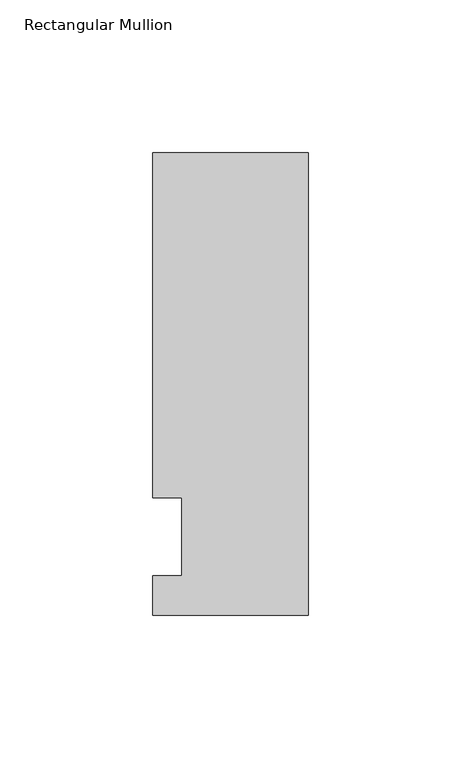
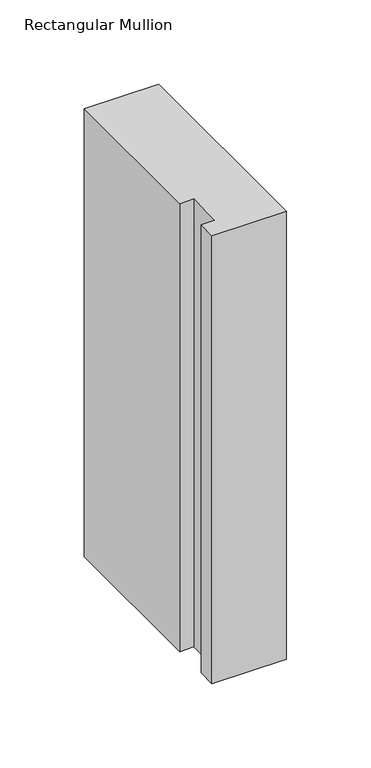
"""IFC4 building model written with IfcOpenShell, lengths in millimetres: member geometry, Rectangular Mullion."""

from ifc_helpers import new_model, si_unit, frame, origin, place, context, project, spatial, polyline, outline, extrude, source, transform, mapped, element, save


def rectangular_mullion_59a8531e(model_context):
    return source(origin(), model_context, "Body", "SweptSolid", [
        extrude(outline(polyline([(-50.8, -25.5984375), (-50.8, -12.7), (-41.275, -12.7), (-41.275, 12.7), (-50.8, 12.7), (-50.8, 125.6109375), (0.0, 125.6109375), (0.0, -25.5984375), (-50.8, -25.5984375)])), frame((0.0, 0.0, -324.0836212), z_axis=(0.0, 0.0, 1.0), x_axis=(1.0, 0.0, 0.0)), (0.0, 0.0, 1.0), 324.0836212),
    ])


if __name__ == "__main__":
    model = new_model("IFC4")
    model_context = context("Model", 3, world=origin())
    ifc_project = project(units=[si_unit("LENGTHUNIT", "METRE", prefix="MILLI")], contexts=[model_context])
    site = spatial("IfcSite", under=ifc_project)
    building = spatial("IfcBuilding", under=site)
    placement = place(None, origin())
    rectangular_mullion_shape = rectangular_mullion_59a8531e(model_context)
    element("IfcMember", 1, ObjectType="Rectangular Mullion", at=placement, inside=building, context=model_context, shape_type="MappedRepresentation", body=[
        mapped(rectangular_mullion_shape, transform((0.0, 0.0, 0.0), x_axis=(1.0, 0.0, 0.0), y_axis=(0.0, 1.0, 0.0), z_axis=(0.0, 0.0, 1.0))),
    ])
    save(model, "model.ifc")
